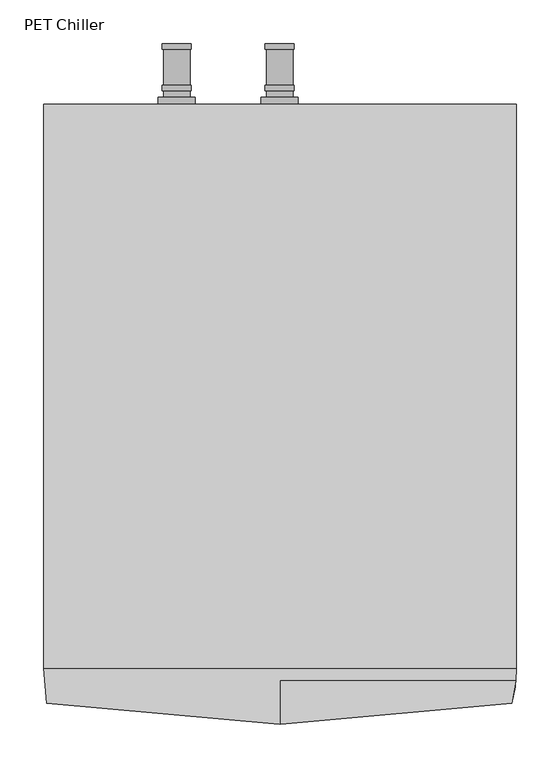
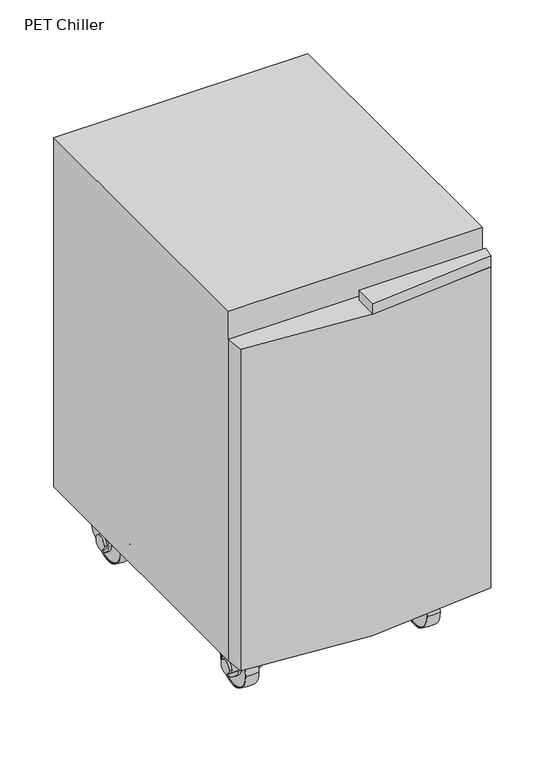
"""IFC4 building model written with IfcOpenShell, lengths in millimetres: proxy geometry, PET Chiller."""

from ifc_helpers import new_model, si_unit, point, frame, frame_2d, origin, place, context, project, spatial, polyline, circle_curve, ellipse_curve, trimmed, segment, composite_curve, outline, extrude, source, transform, mapped, element, save
from ifc_brep_helpers import plane_surface, cylinder_surface, revolved_surface, advanced_brep


def pet_chiller_bc5d5cd4(model_context):
    return source(origin(), model_context, "Body", "SolidModel", [
        advanced_brep(
        [(443.2227913, -148.9106157, 48.0465135), (443.2227913, -55.2985376, 48.0465135), (471.2227913, -55.2985376, 48.0465135), (471.2227913, -148.9106157, 48.0465135), (471.2227913, -147.1045767, 48.0465135), (471.2227913, -57.1045767, 48.0465135), (443.2227913, -57.1045767, 48.0465135), (443.2227913, -147.1045767, 48.0465135)],
        [
            (0, 1, circle_curve(frame((443.2227913, -102.1045767, 48.0465135), z_axis=(1.0, 0.0, 0.0), x_axis=(0.0, 1.0000000000000002, 0.0)), 46.8060391)),
            (1, 2, circle_curve(frame((457.2227913, -133.6803296, 48.0465135), z_axis=(0.0, 0.0, -1.0), x_axis=(0.0, -1.0000000000000002, 0.0)), 79.6222664)),
            (2, 3, circle_curve(frame((471.2227913, -102.1045767, 48.0465135), z_axis=(-1.0, 0.0, 0.0), x_axis=(0.0, 1.0000000000000002, 0.0)), 46.8060391)),
            (3, 0, circle_curve(frame((457.2227913, -70.5288238, 48.0465135), z_axis=(0.0, 0.0, -1.0), x_axis=(0.0, 1.0000000000000002, 0.0)), 79.6222664)),
            (4, 5, circle_curve(frame((471.2227913, -102.1045767, 48.0465135), z_axis=(1.0, 0.0, 0.0), x_axis=(0.0, 1.0000000000000002, 0.0)), 45.0)),
            (5, 6),
            (6, 7, circle_curve(frame((443.2227913, -102.1045767, 48.0465135), z_axis=(-1.0, 0.0, 0.0), x_axis=(0.0, 1.0000000000000002, 0.0)), 45.0)),
            (7, 4),
            (2, 3, circle_curve(frame((471.2227913, -102.1045767, 48.0465135), z_axis=(1.0, 0.0, 0.0), x_axis=(0.0, -1.0000000000000002, 0.0)), 46.8060391)),
            (4, 5, circle_curve(frame((471.2227913, -102.1045767, 48.0465135), z_axis=(-1.0, 0.0, 0.0), x_axis=(0.0, -1.0000000000000002, 0.0)), 45.0)),
            (1, 0, circle_curve(frame((443.2227913, -102.1045767, 48.0465135), z_axis=(1.0, 0.0, 0.0), x_axis=(0.0, -1.0000000000000002, 0.0)), 46.8060391)),
            (6, 7, circle_curve(frame((443.2227913, -102.1045767, 48.0465135), z_axis=(1.0, 0.0, 0.0), x_axis=(0.0, -1.0000000000000002, 0.0)), 45.0)),
        ],
        [
            revolved_surface(trimmed(ellipse_curve(frame((457.2227913, -133.6803296, 48.0465135), z_axis=(0.0, 0.0, 1.0), x_axis=(0.0, -1.0000000000000002, 0.0)), 79.6222664, 79.6222664), [point((471.2227913, -55.2985376, 48.0465135))], [point((443.2227913, -55.2985376, 48.0465135))], True, "CARTESIAN"), (450.7, -102.1045767, 48.0465135), (-1.0000000000000002, 0.0, 0.0)),
            revolved_surface(polyline([(443.2227913, -57.10457669999999, 48.0465135), (471.2227913, -57.10457669999999, 48.0465135)]), (450.7, -102.1045767, 48.0465135), (-1.0000000000000002, 0.0, 0.0)),
            plane_surface(frame((471.2227913, -102.1045767, 48.0465135), z_axis=(1.0, 0.0, 0.0), x_axis=(0.0, -1.0, 0.0))),
            revolved_surface(trimmed(ellipse_curve(frame((457.2227913, -70.5288238, 48.0465135), z_axis=(0.0, 0.0, -1.0), x_axis=(0.0, 1.0000000000000002, 0.0)), 79.6222664, 79.6222664), [point((471.2227913, -148.9106157, 48.0465135))], [point((443.2227913, -148.9106157, 48.0465135))], True, "CARTESIAN"), (450.7, -102.1045767, 48.0465135), (-1.0000000000000002, 0.0, 0.0)),
            plane_surface(frame((443.2227913, -102.1045767, 48.0465135), z_axis=(-1.0, 0.0, 0.0), x_axis=(0.0, -1.0, 0.0))),
            revolved_surface(polyline([(443.2227913, -147.1045767, 48.0465135), (471.2227913, -147.1045767, 48.0465135)]), (450.7, -102.1045767, 48.0465135), (-1.0000000000000002, 0.0, 0.0)),
        ],
        [
            (0, [[1, 2, 3, 4]]),
            (1, [[5, 6, 7, 8]]),
            (2, [[9, -3], [10, -5]]),
            (3, [[11, -4, -9, -2]]),
            (4, [[-11, -1], [12, -7]]),
            (5, [[-10, -8, -12, -6]]),
        ],
    ),
        extrude(outline(composite_curve([segment(trimmed(circle_curve(frame_2d((-102.1045767, 48.0465135)), 21.0), [point((-92.9157407, 29.163577))], [point((-108.2179054, 68.1369892))], False, "CARTESIAN"), True, "CONTINUOUS"), segment(trimmed(circle_curve(frame_2d((-129.2648391, 99.3530944)), 37.6486207), [point((-108.2179054, 68.1369892))], [point((-91.6162184, 99.3530944))], True, "CARTESIAN"), True, "CONTINUOUS"), segment(polyline([(-91.6162184, 99.3530944), (-91.6162184, 125.0465135), (-56.6162184, 125.0465135), (-56.6162184, 81.8753807)]), True, "CONTINUOUS"), segment(trimmed(circle_curve(frame_2d((-111.6162184, 81.8753807)), 55.0), [point((-56.6162184, 81.8753807))], [point((-84.1162184, 34.2439835))], False, "CARTESIAN"), True, "CONTINUOUS"), segment(polyline([(-84.1162184, 34.2439835), (-92.9157407, 29.163577)]), True, "CONTINUOUS")], self_intersect=False)), frame((476.2, 0.0, 0.0), z_axis=(1.0, 0.0, 0.0), x_axis=(0.0, 1.0, 0.0)), (0.0, 0.0, 1.0), 6.0),
        extrude(outline(polyline([(438.2, -56.6162184), (476.2, -56.6162184), (476.2, -91.6162184), (438.2, -91.6162184), (438.2, -56.6162184)])), frame((0.0, 0.0, 119.0465135), z_axis=(0.0, 0.0, 1.0), x_axis=(1.0, 0.0, 0.0)), (0.0, 0.0, 1.0), 6.0),
        extrude(outline(composite_curve([segment(trimmed(circle_curve(frame_2d((-102.1045767, 48.0465135)), 21.0), [point((-92.9157407, 29.163577))], [point((-108.2179054, 68.1369892))], False, "CARTESIAN"), True, "CONTINUOUS"), segment(trimmed(circle_curve(frame_2d((-129.2648391, 99.3530944)), 37.6486207), [point((-108.2179054, 68.1369892))], [point((-91.6162184, 99.3530944))], True, "CARTESIAN"), True, "CONTINUOUS"), segment(polyline([(-91.6162184, 99.3530944), (-91.6162184, 125.0465135), (-56.6162184, 125.0465135), (-56.6162184, 81.8753807)]), True, "CONTINUOUS"), segment(trimmed(circle_curve(frame_2d((-111.6162184, 81.8753807)), 55.0), [point((-56.6162184, 81.8753807))], [point((-84.1162184, 34.2439835))], False, "CARTESIAN"), True, "CONTINUOUS"), segment(polyline([(-84.1162184, 34.2439835), (-92.9157407, 29.163577)]), True, "CONTINUOUS")], self_intersect=False)), frame((432.2, 0.0, 0.0), z_axis=(1.0, 0.0, 0.0), x_axis=(0.0, 1.0, 0.0)), (0.0, 0.0, 1.0), 6.0),
        extrude(outline(composite_curve([segment(trimmed(circle_curve(frame_2d((-102.1045767, 48.0465135)), 15.0), [point((-87.1045767, 48.0465135))], [point((-117.1045767, 48.0465135))], False, "CARTESIAN"), True, "CONTINUOUS"), segment(trimmed(circle_curve(frame_2d((-102.1045767, 48.0465135)), 15.0), [point((-117.1045767, 48.0465135))], [point((-87.1045767, 48.0465135))], False, "CARTESIAN"), True, "CONTINUOUS")], self_intersect=False)), frame((426.2, 0.0, 0.0), z_axis=(1.0, 0.0, 0.0), x_axis=(0.0, 1.0, 0.0)), (0.0, 0.0, 1.0), 62.0),
        extrude(outline(composite_curve([segment(trimmed(circle_curve(frame_2d((-102.1045767, 48.0465135)), 45.0), [point((-57.1045767, 48.0465135))], [point((-147.1045767, 48.0465135))], False, "CARTESIAN"), True, "CONTINUOUS"), segment(trimmed(circle_curve(frame_2d((-102.1045767, 48.0465135)), 45.0), [point((-147.1045767, 48.0465135))], [point((-57.1045767, 48.0465135))], False, "CARTESIAN"), True, "CONTINUOUS")], self_intersect=False)), frame((444.7, 0.0, 0.0), z_axis=(1.0, 0.0, 0.0), x_axis=(0.0, 1.0, 0.0)), (0.0, 0.0, 1.0), 25.0),
        advanced_brep(
        [(83.8272087, -148.9106157, 48.0465135), (55.8272087, -148.9106157, 48.0465135), (55.8272087, -55.2985376, 48.0465135), (83.8272087, -55.2985376, 48.0465135), (55.8272087, -147.1045767, 48.0465135), (83.8272087, -147.1045767, 48.0465135), (83.8272087, -57.1045767, 48.0465135), (55.8272087, -57.1045767, 48.0465135)],
        [
            (0, 1, circle_curve(frame((69.8272087, -70.5288238, 48.0465135), z_axis=(0.0, 0.0, -1.0), x_axis=(0.0, 1.0000000000000002, 0.0)), 79.6222664)),
            (1, 2, circle_curve(frame((55.8272087, -102.1045767, 48.0465135), z_axis=(1.0, 0.0, 0.0), x_axis=(0.0, 1.0000000000000002, 0.0)), 46.8060391)),
            (2, 3, circle_curve(frame((69.8272087, -133.6803296, 48.0465135), z_axis=(0.0, 0.0, -1.0), x_axis=(0.0, -1.0000000000000002, 0.0)), 79.6222664)),
            (3, 0, circle_curve(frame((83.8272087, -102.1045767, 48.0465135), z_axis=(-1.0, 0.0, 0.0), x_axis=(0.0, 1.0000000000000002, 0.0)), 46.8060391)),
            (4, 5),
            (5, 6, circle_curve(frame((83.8272087, -102.1045767, 48.0465135), z_axis=(1.0, 0.0, 0.0), x_axis=(0.0, 1.0000000000000002, 0.0)), 45.0)),
            (6, 7),
            (7, 4, circle_curve(frame((55.8272087, -102.1045767, 48.0465135), z_axis=(-1.0, 0.0, 0.0), x_axis=(0.0, 1.0000000000000002, 0.0)), 45.0)),
            (1, 2, circle_curve(frame((55.8272087, -102.1045767, 48.0465135), z_axis=(-1.0, 0.0, 0.0), x_axis=(0.0, -1.0000000000000002, 0.0)), 46.8060391)),
            (7, 4, circle_curve(frame((55.8272087, -102.1045767, 48.0465135), z_axis=(1.0, 0.0, 0.0), x_axis=(0.0, -1.0000000000000002, 0.0)), 45.0)),
            (0, 3, circle_curve(frame((83.8272087, -102.1045767, 48.0465135), z_axis=(-1.0, 0.0, 0.0), x_axis=(0.0, -1.0000000000000002, 0.0)), 46.8060391)),
            (5, 6, circle_curve(frame((83.8272087, -102.1045767, 48.0465135), z_axis=(-1.0, 0.0, 0.0), x_axis=(0.0, -1.0000000000000002, 0.0)), 45.0)),
        ],
        [
            revolved_surface(trimmed(ellipse_curve(frame((69.8272087, -133.6803296, 48.0465135), z_axis=(0.0, 0.0, -1.0), x_axis=(0.0, -1.0000000000000002, 0.0)), 79.6222664, 79.6222664), [point((55.8272087, -55.2985376, 48.0465135))], [point((83.8272087, -55.2985376, 48.0465135))], True, "CARTESIAN"), (76.35, -102.1045767, 48.0465135), (1.0000000000000002, 0.0, 0.0)),
            revolved_surface(polyline([(83.8272087, -57.10457669999999, 48.0465135), (55.82720869999999, -57.10457669999999, 48.0465135)]), (76.35, -102.1045767, 48.0465135), (1.0000000000000002, 0.0, 0.0)),
            plane_surface(frame((55.8272087, -102.1045767, 48.0465135), z_axis=(-1.0, 0.0, 0.0), x_axis=(0.0, -1.0, 0.0))),
            revolved_surface(trimmed(ellipse_curve(frame((69.8272087, -70.5288238, 48.0465135), z_axis=(0.0, 0.0, 1.0), x_axis=(0.0, 1.0000000000000002, 0.0)), 79.6222664, 79.6222664), [point((55.8272087, -148.9106157, 48.0465135))], [point((83.8272087, -148.9106157, 48.0465135))], True, "CARTESIAN"), (76.35, -102.1045767, 48.0465135), (1.0000000000000002, 0.0, 0.0)),
            plane_surface(frame((83.8272087, -102.1045767, 48.0465135), z_axis=(1.0, 0.0, 0.0), x_axis=(0.0, -1.0, 0.0))),
            revolved_surface(polyline([(83.8272087, -147.1045767, 48.0465135), (55.82720869999999, -147.1045767, 48.0465135)]), (76.35, -102.1045767, 48.0465135), (1.0000000000000002, 0.0, 0.0)),
        ],
        [
            (0, [[1, 2, 3, 4]]),
            (1, [[5, 6, 7, 8]]),
            (2, [[-2, 9], [-8, 10]]),
            (3, [[-3, -9, -1, 11]]),
            (4, [[-4, -11], [-6, 12]]),
            (5, [[-7, -12, -5, -10]]),
        ],
    ),
        extrude(outline(composite_curve([segment(trimmed(circle_curve(frame_2d((-102.1045767, 48.0465135)), 21.0), [point((-92.9157407, 29.163577))], [point((-108.2179054, 68.1369892))], False, "CARTESIAN"), True, "CONTINUOUS"), segment(trimmed(circle_curve(frame_2d((-129.2648391, 99.3530944)), 37.6486207), [point((-108.2179054, 68.1369892))], [point((-91.6162184, 99.3530944))], True, "CARTESIAN"), True, "CONTINUOUS"), segment(polyline([(-91.6162184, 99.3530944), (-91.6162184, 125.0465135), (-56.6162184, 125.0465135), (-56.6162184, 81.8753807)]), True, "CONTINUOUS"), segment(trimmed(circle_curve(frame_2d((-111.6162184, 81.8753807)), 55.0), [point((-56.6162184, 81.8753807))], [point((-84.1162184, 34.2439835))], False, "CARTESIAN"), True, "CONTINUOUS"), segment(polyline([(-84.1162184, 34.2439835), (-92.9157407, 29.163577)]), True, "CONTINUOUS")], self_intersect=False)), frame((44.85, 0.0, 0.0), z_axis=(1.0, 0.0, 0.0), x_axis=(0.0, 1.0, 0.0)), (0.0, 0.0, 1.0), 6.0),
        extrude(outline(polyline([(88.85, -56.6162184), (88.85, -91.6162184), (50.85, -91.6162184), (50.85, -56.6162184), (88.85, -56.6162184)])), frame((0.0, 0.0, 119.0465135), z_axis=(0.0, 0.0, 1.0), x_axis=(1.0, 0.0, 0.0)), (0.0, 0.0, 1.0), 6.0),
        extrude(outline(composite_curve([segment(trimmed(circle_curve(frame_2d((-102.1045767, 48.0465135)), 21.0), [point((-92.9157407, 29.163577))], [point((-108.2179054, 68.1369892))], False, "CARTESIAN"), True, "CONTINUOUS"), segment(trimmed(circle_curve(frame_2d((-129.2648391, 99.3530944)), 37.6486207), [point((-108.2179054, 68.1369892))], [point((-91.6162184, 99.3530944))], True, "CARTESIAN"), True, "CONTINUOUS"), segment(polyline([(-91.6162184, 99.3530944), (-91.6162184, 125.0465135), (-56.6162184, 125.0465135), (-56.6162184, 81.8753807)]), True, "CONTINUOUS"), segment(trimmed(circle_curve(frame_2d((-111.6162184, 81.8753807)), 55.0), [point((-56.6162184, 81.8753807))], [point((-84.1162184, 34.2439835))], False, "CARTESIAN"), True, "CONTINUOUS"), segment(polyline([(-84.1162184, 34.2439835), (-92.9157407, 29.163577)]), True, "CONTINUOUS")], self_intersect=False)), frame((88.85, 0.0, 0.0), z_axis=(1.0, 0.0, 0.0), x_axis=(0.0, 1.0, 0.0)), (0.0, 0.0, 1.0), 6.0),
        extrude(outline(composite_curve([segment(trimmed(circle_curve(frame_2d((-102.1045767, 48.0465135)), 15.0), [point((-87.1045767, 48.0465135))], [point((-117.1045767, 48.0465135))], False, "CARTESIAN"), True, "CONTINUOUS"), segment(trimmed(circle_curve(frame_2d((-102.1045767, 48.0465135)), 15.0), [point((-117.1045767, 48.0465135))], [point((-87.1045767, 48.0465135))], False, "CARTESIAN"), True, "CONTINUOUS")], self_intersect=False)), frame((38.85, 0.0, 0.0), z_axis=(1.0, 0.0, 0.0), x_axis=(0.0, 1.0, 0.0)), (0.0, 0.0, 1.0), 62.0),
        extrude(outline(composite_curve([segment(trimmed(circle_curve(frame_2d((-102.1045767, 48.0465135)), 45.0), [point((-57.1045767, 48.0465135))], [point((-147.1045767, 48.0465135))], False, "CARTESIAN"), True, "CONTINUOUS"), segment(trimmed(circle_curve(frame_2d((-102.1045767, 48.0465135)), 45.0), [point((-147.1045767, 48.0465135))], [point((-57.1045767, 48.0465135))], False, "CARTESIAN"), True, "CONTINUOUS")], self_intersect=False)), frame((57.35, 0.0, 0.0), z_axis=(1.0, 0.0, 0.0), x_axis=(0.0, 1.0, 0.0)), (0.0, 0.0, 1.0), 25.0),
        advanced_brep(
        [(443.2227913, -517.8393843, 48.0465135), (471.2227913, -517.8393843, 48.0465135), (471.2227913, -611.4514624, 48.0465135), (443.2227913, -611.4514624, 48.0465135), (471.2227913, -519.6454233, 48.0465135), (443.2227913, -519.6454233, 48.0465135), (443.2227913, -609.6454233, 48.0465135), (471.2227913, -609.6454233, 48.0465135)],
        [
            (0, 1, circle_curve(frame((457.2227913, -596.2211762, 48.0465135), z_axis=(0.0, 0.0, -1.0), x_axis=(0.0, -1.0000000000000002, 0.0)), 79.6222664)),
            (1, 2, circle_curve(frame((471.2227913, -564.6454233, 48.0465135), z_axis=(-1.0, 0.0, 0.0), x_axis=(0.0, -1.0000000000000002, 0.0)), 46.8060391)),
            (2, 3, circle_curve(frame((457.2227913, -533.0696704, 48.0465135), z_axis=(0.0, 0.0, -1.0), x_axis=(0.0, 1.0000000000000002, 0.0)), 79.6222664)),
            (3, 0, circle_curve(frame((443.2227913, -564.6454233, 48.0465135), z_axis=(1.0, 0.0, 0.0), x_axis=(0.0, -1.0000000000000002, 0.0)), 46.8060391)),
            (4, 5),
            (5, 6, circle_curve(frame((443.2227913, -564.6454233, 48.0465135), z_axis=(-1.0, 0.0, 0.0), x_axis=(0.0, -1.0000000000000002, 0.0)), 45.0)),
            (6, 7),
            (7, 4, circle_curve(frame((471.2227913, -564.6454233, 48.0465135), z_axis=(1.0, 0.0, 0.0), x_axis=(0.0, -1.0000000000000002, 0.0)), 45.0)),
            (1, 2, circle_curve(frame((471.2227913, -564.6454233, 48.0465135), z_axis=(1.0, 0.0, 0.0), x_axis=(0.0, 1.0000000000000002, 0.0)), 46.8060391)),
            (7, 4, circle_curve(frame((471.2227913, -564.6454233, 48.0465135), z_axis=(-1.0, 0.0, 0.0), x_axis=(0.0, 1.0000000000000002, 0.0)), 45.0)),
            (0, 3, circle_curve(frame((443.2227913, -564.6454233, 48.0465135), z_axis=(1.0, 0.0, 0.0), x_axis=(0.0, 1.0000000000000002, 0.0)), 46.8060391)),
            (5, 6, circle_curve(frame((443.2227913, -564.6454233, 48.0465135), z_axis=(1.0, 0.0, 0.0), x_axis=(0.0, 1.0000000000000002, 0.0)), 45.0)),
        ],
        [
            revolved_surface(trimmed(ellipse_curve(frame((457.2227913, -533.0696704, 48.0465135), z_axis=(0.0, 0.0, -1.0), x_axis=(0.0, 1.0000000000000002, 0.0)), 79.6222664, 79.6222664), [point((471.2227913, -611.4514624, 48.0465135))], [point((443.2227913, -611.4514624, 48.0465135))], True, "CARTESIAN"), (450.7, -564.6454233, 48.0465135), (-1.0000000000000002, 0.0, 0.0)),
            revolved_surface(polyline([(443.2227913, -609.6454233, 48.0465135), (471.2227913, -609.6454233, 48.0465135)]), (450.7, -564.6454233, 48.0465135), (-1.0000000000000002, 0.0, 0.0)),
            plane_surface(frame((471.2227913, -564.6454233, 48.0465135), z_axis=(1.0, 0.0, 0.0), x_axis=(0.0, 1.0, 0.0))),
            revolved_surface(trimmed(ellipse_curve(frame((457.2227913, -596.2211762, 48.0465135), z_axis=(0.0, 0.0, 1.0), x_axis=(0.0, -1.0000000000000002, 0.0)), 79.6222664, 79.6222664), [point((471.2227913, -517.8393843, 48.0465135))], [point((443.2227913, -517.8393843, 48.0465135))], True, "CARTESIAN"), (450.7, -564.6454233, 48.0465135), (-1.0000000000000002, 0.0, 0.0)),
            plane_surface(frame((443.2227913, -564.6454233, 48.0465135), z_axis=(-1.0, 0.0, 0.0), x_axis=(0.0, 1.0, 0.0))),
            revolved_surface(polyline([(443.2227913, -519.6454233, 48.0465135), (471.2227913, -519.6454233, 48.0465135)]), (450.7, -564.6454233, 48.0465135), (-1.0000000000000002, 0.0, 0.0)),
        ],
        [
            (0, [[1, 2, 3, 4]]),
            (1, [[5, 6, 7, 8]]),
            (2, [[-2, 9], [-8, 10]]),
            (3, [[-3, -9, -1, 11]]),
            (4, [[-4, -11], [-6, 12]]),
            (5, [[-7, -12, -5, -10]]),
        ],
    ),
        extrude(outline(composite_curve([segment(polyline([(-573.8342593, 29.163577), (-582.6337816, 34.2439835)]), True, "CONTINUOUS"), segment(trimmed(circle_curve(frame_2d((-555.1337816, 81.8753807)), 55.0), [point((-582.6337816, 34.2439835))], [point((-610.1337816, 81.8753807))], False, "CARTESIAN"), True, "CONTINUOUS"), segment(polyline([(-610.1337816, 81.8753807), (-610.1337816, 125.0465135), (-575.1337816, 125.0465135), (-575.1337816, 99.3530944)]), True, "CONTINUOUS"), segment(trimmed(circle_curve(frame_2d((-537.4851609, 99.3530944)), 37.6486207), [point((-575.1337816, 99.3530944))], [point((-558.5320946, 68.1369892))], True, "CARTESIAN"), True, "CONTINUOUS"), segment(trimmed(circle_curve(frame_2d((-564.6454233, 48.0465135)), 21.0), [point((-558.5320946, 68.1369892))], [point((-573.8342593, 29.163577))], False, "CARTESIAN"), True, "CONTINUOUS")], self_intersect=False)), frame((476.2, 0.0, 0.0), z_axis=(1.0, 0.0, 0.0), x_axis=(0.0, 1.0, 0.0)), (0.0, 0.0, 1.0), 6.0),
        extrude(outline(polyline([(438.2, -610.1337816), (438.2, -575.1337816), (476.2, -575.1337816), (476.2, -610.1337816), (438.2, -610.1337816)])), frame((0.0, 0.0, 119.0465135), z_axis=(0.0, 0.0, 1.0), x_axis=(1.0, 0.0, 0.0)), (0.0, 0.0, 1.0), 6.0),
        extrude(outline(composite_curve([segment(polyline([(-573.8342593, 29.163577), (-582.6337816, 34.2439835)]), True, "CONTINUOUS"), segment(trimmed(circle_curve(frame_2d((-555.1337816, 81.8753807)), 55.0), [point((-582.6337816, 34.2439835))], [point((-610.1337816, 81.8753807))], False, "CARTESIAN"), True, "CONTINUOUS"), segment(polyline([(-610.1337816, 81.8753807), (-610.1337816, 125.0465135), (-575.1337816, 125.0465135), (-575.1337816, 99.3530944)]), True, "CONTINUOUS"), segment(trimmed(circle_curve(frame_2d((-537.4851609, 99.3530944)), 37.6486207), [point((-575.1337816, 99.3530944))], [point((-558.5320946, 68.1369892))], True, "CARTESIAN"), True, "CONTINUOUS"), segment(trimmed(circle_curve(frame_2d((-564.6454233, 48.0465135)), 21.0), [point((-558.5320946, 68.1369892))], [point((-573.8342593, 29.163577))], False, "CARTESIAN"), True, "CONTINUOUS")], self_intersect=False)), frame((432.2, 0.0, 0.0), z_axis=(1.0, 0.0, 0.0), x_axis=(0.0, 1.0, 0.0)), (0.0, 0.0, 1.0), 6.0),
        extrude(outline(composite_curve([segment(trimmed(circle_curve(frame_2d((-564.6454233, 48.0465135)), 15.0), [point((-579.6454233, 48.0465135))], [point((-549.6454233, 48.0465135))], False, "CARTESIAN"), True, "CONTINUOUS"), segment(trimmed(circle_curve(frame_2d((-564.6454233, 48.0465135)), 15.0), [point((-549.6454233, 48.0465135))], [point((-579.6454233, 48.0465135))], False, "CARTESIAN"), True, "CONTINUOUS")], self_intersect=False)), frame((426.2, 0.0, 0.0), z_axis=(1.0, 0.0, 0.0), x_axis=(0.0, 1.0, 0.0)), (0.0, 0.0, 1.0), 62.0),
        extrude(outline(composite_curve([segment(trimmed(circle_curve(frame_2d((-564.6454233, 48.0465135)), 45.0), [point((-609.6454233, 48.0465135))], [point((-519.6454233, 48.0465135))], False, "CARTESIAN"), True, "CONTINUOUS"), segment(trimmed(circle_curve(frame_2d((-564.6454233, 48.0465135)), 45.0), [point((-519.6454233, 48.0465135))], [point((-609.6454233, 48.0465135))], False, "CARTESIAN"), True, "CONTINUOUS")], self_intersect=False)), frame((444.7, 0.0, 0.0), z_axis=(1.0, 0.0, 0.0), x_axis=(0.0, 1.0, 0.0)), (0.0, 0.0, 1.0), 25.0),
        advanced_brep(
        [(83.8272087, -517.8393843, 48.0465135), (83.8272087, -611.4514624, 48.0465135), (55.8272087, -611.4514624, 48.0465135), (55.8272087, -517.8393843, 48.0465135), (55.8272087, -519.6454233, 48.0465135), (55.8272087, -609.6454233, 48.0465135), (83.8272087, -609.6454233, 48.0465135), (83.8272087, -519.6454233, 48.0465135)],
        [
            (0, 1, circle_curve(frame((83.8272087, -564.6454233, 48.0465135), z_axis=(-1.0, 0.0, 0.0), x_axis=(0.0, -1.0000000000000002, 0.0)), 46.8060391)),
            (1, 2, circle_curve(frame((69.8272087, -533.0696704, 48.0465135), z_axis=(0.0, 0.0, -1.0), x_axis=(0.0, 1.0000000000000002, 0.0)), 79.6222664)),
            (2, 3, circle_curve(frame((55.8272087, -564.6454233, 48.0465135), z_axis=(1.0, 0.0, 0.0), x_axis=(0.0, -1.0000000000000002, 0.0)), 46.8060391)),
            (3, 0, circle_curve(frame((69.8272087, -596.2211762, 48.0465135), z_axis=(0.0, 0.0, -1.0), x_axis=(0.0, -1.0000000000000002, 0.0)), 79.6222664)),
            (4, 5, circle_curve(frame((55.8272087, -564.6454233, 48.0465135), z_axis=(-1.0, 0.0, 0.0), x_axis=(0.0, -1.0000000000000002, 0.0)), 45.0)),
            (5, 6),
            (6, 7, circle_curve(frame((83.8272087, -564.6454233, 48.0465135), z_axis=(1.0, 0.0, 0.0), x_axis=(0.0, -1.0000000000000002, 0.0)), 45.0)),
            (7, 4),
            (2, 3, circle_curve(frame((55.8272087, -564.6454233, 48.0465135), z_axis=(-1.0, 0.0, 0.0), x_axis=(0.0, 1.0000000000000002, 0.0)), 46.8060391)),
            (4, 5, circle_curve(frame((55.8272087, -564.6454233, 48.0465135), z_axis=(1.0, 0.0, 0.0), x_axis=(0.0, 1.0000000000000002, 0.0)), 45.0)),
            (1, 0, circle_curve(frame((83.8272087, -564.6454233, 48.0465135), z_axis=(-1.0, 0.0, 0.0), x_axis=(0.0, 1.0000000000000002, 0.0)), 46.8060391)),
            (6, 7, circle_curve(frame((83.8272087, -564.6454233, 48.0465135), z_axis=(-1.0, 0.0, 0.0), x_axis=(0.0, 1.0000000000000002, 0.0)), 45.0)),
        ],
        [
            revolved_surface(trimmed(ellipse_curve(frame((69.8272087, -533.0696704, 48.0465135), z_axis=(0.0, 0.0, 1.0), x_axis=(0.0, 1.0000000000000002, 0.0)), 79.6222664, 79.6222664), [point((55.8272087, -611.4514624, 48.0465135))], [point((83.8272087, -611.4514624, 48.0465135))], True, "CARTESIAN"), (76.35, -564.6454233, 48.0465135), (1.0000000000000002, 0.0, 0.0)),
            revolved_surface(polyline([(83.8272087, -609.6454233, 48.0465135), (55.82720869999999, -609.6454233, 48.0465135)]), (76.35, -564.6454233, 48.0465135), (1.0000000000000002, 0.0, 0.0)),
            plane_surface(frame((55.8272087, -564.6454233, 48.0465135), z_axis=(-1.0, 0.0, 0.0), x_axis=(0.0, 1.0, 0.0))),
            revolved_surface(trimmed(ellipse_curve(frame((69.8272087, -596.2211762, 48.0465135), z_axis=(0.0, 0.0, -1.0), x_axis=(0.0, -1.0000000000000002, 0.0)), 79.6222664, 79.6222664), [point((55.8272087, -517.8393843, 48.0465135))], [point((83.8272087, -517.8393843, 48.0465135))], True, "CARTESIAN"), (76.35, -564.6454233, 48.0465135), (1.0000000000000002, 0.0, 0.0)),
            plane_surface(frame((83.8272087, -564.6454233, 48.0465135), z_axis=(1.0, 0.0, 0.0), x_axis=(0.0, 1.0, 0.0))),
            revolved_surface(polyline([(83.8272087, -519.6454233, 48.0465135), (55.82720869999999, -519.6454233, 48.0465135)]), (76.35, -564.6454233, 48.0465135), (1.0000000000000002, 0.0, 0.0)),
        ],
        [
            (0, [[1, 2, 3, 4]]),
            (1, [[5, 6, 7, 8]]),
            (2, [[9, -3], [10, -5]]),
            (3, [[11, -4, -9, -2]]),
            (4, [[-11, -1], [12, -7]]),
            (5, [[-10, -8, -12, -6]]),
        ],
    ),
        extrude(outline(composite_curve([segment(polyline([(-573.8342593, 29.163577), (-582.6337816, 34.2439835)]), True, "CONTINUOUS"), segment(trimmed(circle_curve(frame_2d((-555.1337816, 81.8753807)), 55.0), [point((-582.6337816, 34.2439835))], [point((-610.1337816, 81.8753807))], False, "CARTESIAN"), True, "CONTINUOUS"), segment(polyline([(-610.1337816, 81.8753807), (-610.1337816, 125.0465135), (-575.1337816, 125.0465135), (-575.1337816, 99.3530944)]), True, "CONTINUOUS"), segment(trimmed(circle_curve(frame_2d((-537.4851609, 99.3530944)), 37.6486207), [point((-575.1337816, 99.3530944))], [point((-558.5320946, 68.1369892))], True, "CARTESIAN"), True, "CONTINUOUS"), segment(trimmed(circle_curve(frame_2d((-564.6454233, 48.0465135)), 21.0), [point((-558.5320946, 68.1369892))], [point((-573.8342593, 29.163577))], False, "CARTESIAN"), True, "CONTINUOUS")], self_intersect=False)), frame((44.85, 0.0, 0.0), z_axis=(1.0, 0.0, 0.0), x_axis=(0.0, 1.0, 0.0)), (0.0, 0.0, 1.0), 6.0),
        extrude(outline(polyline([(88.85, -610.1337816), (50.85, -610.1337816), (50.85, -575.1337816), (88.85, -575.1337816), (88.85, -610.1337816)])), frame((0.0, 0.0, 119.0465135), z_axis=(0.0, 0.0, 1.0), x_axis=(1.0, 0.0, 0.0)), (0.0, 0.0, 1.0), 6.0),
        extrude(outline(composite_curve([segment(polyline([(-573.8342593, 29.163577), (-582.6337816, 34.2439835)]), True, "CONTINUOUS"), segment(trimmed(circle_curve(frame_2d((-555.1337816, 81.8753807)), 55.0), [point((-582.6337816, 34.2439835))], [point((-610.1337816, 81.8753807))], False, "CARTESIAN"), True, "CONTINUOUS"), segment(polyline([(-610.1337816, 81.8753807), (-610.1337816, 125.0465135), (-575.1337816, 125.0465135), (-575.1337816, 99.3530944)]), True, "CONTINUOUS"), segment(trimmed(circle_curve(frame_2d((-537.4851609, 99.3530944)), 37.6486207), [point((-575.1337816, 99.3530944))], [point((-558.5320946, 68.1369892))], True, "CARTESIAN"), True, "CONTINUOUS"), segment(trimmed(circle_curve(frame_2d((-564.6454233, 48.0465135)), 21.0), [point((-558.5320946, 68.1369892))], [point((-573.8342593, 29.163577))], False, "CARTESIAN"), True, "CONTINUOUS")], self_intersect=False)), frame((88.85, 0.0, 0.0), z_axis=(1.0, 0.0, 0.0), x_axis=(0.0, 1.0, 0.0)), (0.0, 0.0, 1.0), 6.0),
        extrude(outline(composite_curve([segment(trimmed(circle_curve(frame_2d((-564.6454233, 48.0465135)), 15.0), [point((-579.6454233, 48.0465135))], [point((-549.6454233, 48.0465135))], False, "CARTESIAN"), True, "CONTINUOUS"), segment(trimmed(circle_curve(frame_2d((-564.6454233, 48.0465135)), 15.0), [point((-549.6454233, 48.0465135))], [point((-579.6454233, 48.0465135))], False, "CARTESIAN"), True, "CONTINUOUS")], self_intersect=False)), frame((38.85, 0.0, 0.0), z_axis=(1.0, 0.0, 0.0), x_axis=(0.0, 1.0, 0.0)), (0.0, 0.0, 1.0), 62.0),
        extrude(outline(composite_curve([segment(trimmed(circle_curve(frame_2d((-564.6454233, 48.0465135)), 45.0), [point((-609.6454233, 48.0465135))], [point((-519.6454233, 48.0465135))], False, "CARTESIAN"), True, "CONTINUOUS"), segment(trimmed(circle_curve(frame_2d((-564.6454233, 48.0465135)), 45.0), [point((-519.6454233, 48.0465135))], [point((-609.6454233, 48.0465135))], False, "CARTESIAN"), True, "CONTINUOUS")], self_intersect=False)), frame((57.35, 0.0, 0.0), z_axis=(1.0, 0.0, 0.0), x_axis=(0.0, 1.0, 0.0)), (0.0, 0.0, 1.0), 25.0),
        advanced_brep(
        [(130.4376034, 9.0118868, 793.75), (173.1226469, 9.0118868, 793.75), (173.1226469, 0.9139393, 793.75), (130.4376034, 0.9139393, 793.75), (136.5478727, 9.0118868, 793.75), (167.0123777, 9.0118868, 793.75), (136.5478727, 15.993937, 793.75), (167.0123777, 15.993937, 793.75), (135.2785126, 15.993937, 793.75), (168.2817377, 15.993937, 793.75), (135.2785126, 22.3407374, 793.75), (168.2817377, 22.3407374, 793.75), (136.5478727, 22.3407374, 793.75), (167.0123777, 22.3407374, 793.75), (136.5478727, 63.8488119, 793.75), (167.0123777, 63.8488119, 793.75), (135.2785126, 63.8488119, 793.75), (168.2817377, 63.8488119, 793.75), (135.2785126, 70.1956123, 793.75), (168.2817377, 70.1956123, 793.75), (151.7801252, 70.1956123, 793.75), (151.7801252, 0.9139393, 793.75)],
        [
            (0, 1, circle_curve(frame((151.7801252, 9.0118868, 793.75), z_axis=(0.0, -1.0, 0.0), x_axis=(1.0, 0.0, 0.0)), 21.3425218)),
            (1, 2),
            (2, 3, circle_curve(frame((151.7801252, 0.9139393, 793.75), z_axis=(0.0, 1.0, 0.0), x_axis=(1.0, 0.0, 0.0)), 21.3425218)),
            (3, 0),
            (1, 0, circle_curve(frame((151.7801252, 9.0118868, 793.75), z_axis=(0.0, -1.0, 0.0), x_axis=(1.0, 0.0, 0.0)), 21.3425218)),
            (3, 2, circle_curve(frame((151.7801252, 0.9139393, 793.75), z_axis=(0.0, 1.0, 0.0), x_axis=(1.0, 0.0, 0.0)), 21.3425218)),
            (4, 5, circle_curve(frame((151.7801252, 9.0118868, 793.75), z_axis=(0.0, -1.0, 0.0), x_axis=(1.0, 0.0, 0.0)), 15.2322525)),
            (5, 1),
            (0, 4),
            (5, 4, circle_curve(frame((151.7801252, 9.0118868, 793.75), z_axis=(0.0, -1.0, 0.0), x_axis=(1.0, 0.0, 0.0)), 15.2322525)),
            (6, 7, circle_curve(frame((151.7801252, 15.993937, 793.75), z_axis=(0.0, -1.0, 0.0), x_axis=(1.0, 0.0, 0.0)), 15.2322525)),
            (7, 5),
            (4, 6),
            (7, 6, circle_curve(frame((151.7801252, 15.993937, 793.75), z_axis=(0.0, -1.0, 0.0), x_axis=(1.0, 0.0, 0.0)), 15.2322525)),
            (8, 9, circle_curve(frame((151.7801252, 15.993937, 793.75), z_axis=(0.0, -1.0, 0.0), x_axis=(1.0, 0.0, 0.0)), 16.5016126)),
            (9, 7),
            (6, 8),
            (9, 8, circle_curve(frame((151.7801252, 15.993937, 793.75), z_axis=(0.0, -1.0, 0.0), x_axis=(1.0, 0.0, 0.0)), 16.5016126)),
            (10, 11, circle_curve(frame((151.7801252, 22.3407374, 793.75), z_axis=(0.0, -1.0, 0.0), x_axis=(1.0, 0.0, 0.0)), 16.5016126)),
            (11, 9),
            (8, 10),
            (11, 10, circle_curve(frame((151.7801252, 22.3407374, 793.75), z_axis=(0.0, -1.0, 0.0), x_axis=(1.0, 0.0, 0.0)), 16.5016126)),
            (12, 13, circle_curve(frame((151.7801252, 22.3407374, 793.75), z_axis=(0.0, -1.0, 0.0), x_axis=(1.0, 0.0, 0.0)), 15.2322525)),
            (13, 11),
            (10, 12),
            (13, 12, circle_curve(frame((151.7801252, 22.3407374, 793.75), z_axis=(0.0, -1.0, 0.0), x_axis=(1.0, 0.0, 0.0)), 15.2322525)),
            (14, 15, circle_curve(frame((151.7801252, 63.8488119, 793.75), z_axis=(0.0, -1.0, 0.0), x_axis=(1.0, 0.0, 0.0)), 15.2322525)),
            (15, 13),
            (12, 14),
            (15, 14, circle_curve(frame((151.7801252, 63.8488119, 793.75), z_axis=(0.0, -1.0, 0.0), x_axis=(1.0, 0.0, 0.0)), 15.2322525)),
            (16, 17, circle_curve(frame((151.7801252, 63.8488119, 793.75), z_axis=(0.0, -1.0, 0.0), x_axis=(1.0, 0.0, 0.0)), 16.5016126)),
            (17, 15),
            (14, 16),
            (17, 16, circle_curve(frame((151.7801252, 63.8488119, 793.75), z_axis=(0.0, -1.0, 0.0), x_axis=(1.0, 0.0, 0.0)), 16.5016126)),
            (18, 19, circle_curve(frame((151.7801252, 70.1956123, 793.75), z_axis=(0.0, -1.0, 0.0), x_axis=(1.0, 0.0, 0.0)), 16.5016126)),
            (19, 17),
            (16, 18),
            (19, 18, circle_curve(frame((151.7801252, 70.1956123, 793.75), z_axis=(0.0, -1.0, 0.0), x_axis=(1.0, 0.0, 0.0)), 16.5016126)),
            (20, 19),
            (18, 20),
            (2, 21),
            (21, 3),
        ],
        [
            cylinder_surface(frame((151.7801252, 70.1956123, 793.75), z_axis=(0.0, 1.0, 0.0), x_axis=(1.0, 0.0, 0.0)), 21.3425218),
            plane_surface(frame((151.7801252, 9.0118868, 793.75), z_axis=(0.0, 1.0, 0.0), x_axis=(1.0, 0.0, 0.0))),
            cylinder_surface(frame((151.7801252, 70.1956123, 793.75), z_axis=(0.0, 1.0, 0.0), x_axis=(1.0, 0.0, 0.0)), 15.2322525),
            plane_surface(frame((151.7801252, 15.993937, 793.75), z_axis=(0.0, -1.0, 0.0), x_axis=(1.0, 0.0, 0.0))),
            cylinder_surface(frame((151.7801252, 70.1956123, 793.75), z_axis=(0.0, 1.0, 0.0), x_axis=(1.0, 0.0, 0.0)), 16.5016126),
            plane_surface(frame((151.7801252, 22.3407374, 793.75), z_axis=(0.0, 1.0, 0.0), x_axis=(1.0, 0.0, 0.0))),
            plane_surface(frame((151.7801252, 63.8488119, 793.75), z_axis=(0.0, -1.0, 0.0), x_axis=(1.0, 0.0, 0.0))),
            plane_surface(frame((151.7801252, 70.1956123, 793.75), z_axis=(0.0, 1.0, 0.0), x_axis=(1.0, 0.0, 0.0))),
            plane_surface(frame((151.7801252, 0.9139393, 793.75), z_axis=(0.0, -1.0, 0.0), x_axis=(1.0, 0.0, 0.0))),
        ],
        [
            (0, [[1, 2, 3, 4]]),
            (0, [[5, -4, 6, -2]]),
            (1, [[7, 8, -1, 9]]),
            (1, [[10, -9, -5, -8]]),
            (2, [[11, 12, -7, 13]]),
            (2, [[14, -13, -10, -12]]),
            (3, [[15, 16, -11, 17]]),
            (3, [[18, -17, -14, -16]]),
            (4, [[19, 20, -15, 21]]),
            (4, [[22, -21, -18, -20]]),
            (5, [[23, 24, -19, 25]]),
            (5, [[26, -25, -22, -24]]),
            (2, [[27, 28, -23, 29]]),
            (2, [[30, -29, -26, -28]]),
            (6, [[31, 32, -27, 33]]),
            (6, [[34, -33, -30, -32]]),
            (4, [[35, 36, -31, 37]]),
            (4, [[38, -37, -34, -36]]),
            (7, [[39, -35, 40]]),
            (7, [[-40, -38, -39]]),
            (8, [[-3, 41, 42]]),
            (8, [[-6, -42, -41]]),
        ],
    ),
        advanced_brep(
        [(248.4727248, 9.0118868, 793.75), (291.1577683, 9.0118868, 793.75), (291.1577683, 0.9139393, 793.75), (248.4727248, 0.9139393, 793.75), (254.582994, 9.0118868, 793.75), (285.047499, 9.0118868, 793.75), (254.582994, 15.993937, 793.75), (285.047499, 15.993937, 793.75), (253.313634, 15.993937, 793.75), (286.3168591, 15.993937, 793.75), (253.313634, 22.3407374, 793.75), (286.3168591, 22.3407374, 793.75), (254.582994, 22.3407374, 793.75), (285.047499, 22.3407374, 793.75), (254.582994, 63.8488119, 793.75), (285.047499, 63.8488119, 793.75), (253.313634, 63.8488119, 793.75), (286.3168591, 63.8488119, 793.75), (253.313634, 70.1956123, 793.75), (286.3168591, 70.1956123, 793.75), (269.8152465, 70.1956123, 793.75), (269.8152465, 0.9139393, 793.75)],
        [
            (0, 1, circle_curve(frame((269.8152465, 9.0118868, 793.75), z_axis=(0.0, -1.0, 0.0), x_axis=(1.0, 0.0, 0.0)), 21.3425218)),
            (1, 2),
            (2, 3, circle_curve(frame((269.8152465, 0.9139393, 793.75), z_axis=(0.0, 1.0, 0.0), x_axis=(1.0, 0.0, 0.0)), 21.3425218)),
            (3, 0),
            (1, 0, circle_curve(frame((269.8152465, 9.0118868, 793.75), z_axis=(0.0, -1.0, 0.0), x_axis=(1.0, 0.0, 0.0)), 21.3425218)),
            (3, 2, circle_curve(frame((269.8152465, 0.9139393, 793.75), z_axis=(0.0, 1.0, 0.0), x_axis=(1.0, 0.0, 0.0)), 21.3425218)),
            (4, 5, circle_curve(frame((269.8152465, 9.0118868, 793.75), z_axis=(0.0, -1.0, 0.0), x_axis=(1.0, 0.0, 0.0)), 15.2322525)),
            (5, 1),
            (0, 4),
            (5, 4, circle_curve(frame((269.8152465, 9.0118868, 793.75), z_axis=(0.0, -1.0, 0.0), x_axis=(1.0, 0.0, 0.0)), 15.2322525)),
            (6, 7, circle_curve(frame((269.8152465, 15.993937, 793.75), z_axis=(0.0, -1.0, 0.0), x_axis=(1.0, 0.0, 0.0)), 15.2322525)),
            (7, 5),
            (4, 6),
            (7, 6, circle_curve(frame((269.8152465, 15.993937, 793.75), z_axis=(0.0, -1.0, 0.0), x_axis=(1.0, 0.0, 0.0)), 15.2322525)),
            (8, 9, circle_curve(frame((269.8152465, 15.993937, 793.75), z_axis=(0.0, -1.0, 0.0), x_axis=(1.0, 0.0, 0.0)), 16.5016126)),
            (9, 7),
            (6, 8),
            (9, 8, circle_curve(frame((269.8152465, 15.993937, 793.75), z_axis=(0.0, -1.0, 0.0), x_axis=(1.0, 0.0, 0.0)), 16.5016126)),
            (10, 11, circle_curve(frame((269.8152465, 22.3407374, 793.75), z_axis=(0.0, -1.0, 0.0), x_axis=(1.0, 0.0, 0.0)), 16.5016126)),
            (11, 9),
            (8, 10),
            (11, 10, circle_curve(frame((269.8152465, 22.3407374, 793.75), z_axis=(0.0, -1.0, 0.0), x_axis=(1.0, 0.0, 0.0)), 16.5016126)),
            (12, 13, circle_curve(frame((269.8152465, 22.3407374, 793.75), z_axis=(0.0, -1.0, 0.0), x_axis=(1.0, 0.0, 0.0)), 15.2322525)),
            (13, 11),
            (10, 12),
            (13, 12, circle_curve(frame((269.8152465, 22.3407374, 793.75), z_axis=(0.0, -1.0, 0.0), x_axis=(1.0, 0.0, 0.0)), 15.2322525)),
            (14, 15, circle_curve(frame((269.8152465, 63.8488119, 793.75), z_axis=(0.0, -1.0, 0.0), x_axis=(1.0, 0.0, 0.0)), 15.2322525)),
            (15, 13),
            (12, 14),
            (15, 14, circle_curve(frame((269.8152465, 63.8488119, 793.75), z_axis=(0.0, -1.0, 0.0), x_axis=(1.0, 0.0, 0.0)), 15.2322525)),
            (16, 17, circle_curve(frame((269.8152465, 63.8488119, 793.75), z_axis=(0.0, -1.0, 0.0), x_axis=(1.0, 0.0, 0.0)), 16.5016126)),
            (17, 15),
            (14, 16),
            (17, 16, circle_curve(frame((269.8152465, 63.8488119, 793.75), z_axis=(0.0, -1.0, 0.0), x_axis=(1.0, 0.0, 0.0)), 16.5016126)),
            (18, 19, circle_curve(frame((269.8152465, 70.1956123, 793.75), z_axis=(0.0, -1.0, 0.0), x_axis=(1.0, 0.0, 0.0)), 16.5016126)),
            (19, 17),
            (16, 18),
            (19, 18, circle_curve(frame((269.8152465, 70.1956123, 793.75), z_axis=(0.0, -1.0, 0.0), x_axis=(1.0, 0.0, 0.0)), 16.5016126)),
            (20, 19),
            (18, 20),
            (2, 21),
            (21, 3),
        ],
        [
            cylinder_surface(frame((269.8152465, 70.1956123, 793.75), z_axis=(0.0, 1.0, 0.0), x_axis=(1.0, 0.0, 0.0)), 21.3425218),
            plane_surface(frame((269.8152465, 9.0118868, 793.75), z_axis=(0.0, 1.0, 0.0), x_axis=(1.0, 0.0, 0.0))),
            cylinder_surface(frame((269.8152465, 70.1956123, 793.75), z_axis=(0.0, 1.0, 0.0), x_axis=(1.0, 0.0, 0.0)), 15.2322525),
            plane_surface(frame((269.8152465, 15.993937, 793.75), z_axis=(0.0, -1.0, 0.0), x_axis=(1.0, 0.0, 0.0))),
            cylinder_surface(frame((269.8152465, 70.1956123, 793.75), z_axis=(0.0, 1.0, 0.0), x_axis=(1.0, 0.0, 0.0)), 16.5016126),
            plane_surface(frame((269.8152465, 22.3407374, 793.75), z_axis=(0.0, 1.0, 0.0), x_axis=(1.0, 0.0, 0.0))),
            plane_surface(frame((269.8152465, 63.8488119, 793.75), z_axis=(0.0, -1.0, 0.0), x_axis=(1.0, 0.0, 0.0))),
            plane_surface(frame((269.8152465, 70.1956123, 793.75), z_axis=(0.0, 1.0, 0.0), x_axis=(1.0, 0.0, 0.0))),
            plane_surface(frame((269.8152465, 0.9139393, 793.75), z_axis=(0.0, -1.0, 0.0), x_axis=(1.0, 0.0, 0.0))),
        ],
        [
            (0, [[1, 2, 3, 4]]),
            (0, [[5, -4, 6, -2]]),
            (1, [[7, 8, -1, 9]]),
            (1, [[10, -9, -5, -8]]),
            (2, [[11, 12, -7, 13]]),
            (2, [[14, -13, -10, -12]]),
            (3, [[15, 16, -11, 17]]),
            (3, [[18, -17, -14, -16]]),
            (4, [[19, 20, -15, 21]]),
            (4, [[22, -21, -18, -20]]),
            (5, [[23, 24, -19, 25]]),
            (5, [[26, -25, -22, -24]]),
            (2, [[27, 28, -23, 29]]),
            (2, [[30, -29, -26, -28]]),
            (6, [[31, 32, -27, 33]]),
            (6, [[34, -33, -30, -32]]),
            (4, [[35, 36, -31, 37]]),
            (4, [[38, -37, -34, -36]]),
            (7, [[39, -35, 40]]),
            (7, [[-40, -38, -39]]),
            (8, [[-3, 41, 42]]),
            (8, [[-6, -42, -41]]),
        ],
    ),
        extrude(outline(composite_curve([segment(polyline([(270.8255008, -710.0186955), (270.8255008, -659.8717583), (540.9375796, -659.8717583)]), True, "CONTINUOUS"), segment(trimmed(circle_curve(frame_2d((387.3660785, -647.1601403)), 154.0966943), [point((540.9375796, -659.8717583))], [point((536.5659596, -685.69826))], False, "CARTESIAN"), True, "CONTINUOUS"), segment(trimmed(circle_curve(frame_2d((269.561417, 767.7778565)), 1477.7970927), [point((536.5659596, -685.69826))], [point((270.8255008, -710.0186955))], False, "CARTESIAN"), True, "CONTINUOUS")], self_intersect=False)), frame((0.0, 0.0, 851.1162417), z_axis=(0.0, 0.0, 1.0), x_axis=(1.0, 0.0, 0.0)), (0.0, 0.0, 1.0), 23.9423941),
        advanced_brep(
        [(-0.9139393, -645.9775184, 914.1484459), (541.4582347, -645.9775184, 914.1484459), (541.4582347, 0.9139393, 914.1484459), (-0.9139393, 0.9139393, 914.1484459), (541.4582347, -645.9775184, 851.1162417), (541.4582347, -648.3427622, 851.1162417), (541.4582347, -648.3427622, 125.0465135), (541.4582347, 0.9139393, 125.0465135), (-0.9139393, 0.9139393, 125.0465135), (-0.9139393, -645.9775184, 125.0465135), (-0.9139393, -645.9775184, 851.1162417), (2.5568743, -685.69826, 851.1162417), (536.5659596, -685.69826, 851.1162417), (536.5659596, -685.69826, 125.0465135), (2.5568743, -685.69826, 125.0465135)],
        [
            (0, 1),
            (1, 2),
            (2, 3),
            (3, 0),
            (1, 4),
            (4, 5),
            (5, 6),
            (6, 7),
            (7, 2),
            (7, 8),
            (8, 3),
            (8, 9),
            (9, 10),
            (10, 0),
            (10, 4),
            (10, 11, circle_curve(frame((245.7339289, -644.4373448, 851.1162417), z_axis=(0.0, 0.0, 1.0), x_axis=(1.0, 0.0, 0.0)), 246.6526769)),
            (11, 12, circle_curve(frame((269.561417, 767.7778565, 851.1162417), z_axis=(0.0, 0.0, 1.0), x_axis=(1.0, 0.0, 0.0)), 1477.7970927)),
            (12, 5, circle_curve(frame((387.3660785, -647.1601403, 851.1162417), z_axis=(0.0, 0.0, 1.0), x_axis=(1.0, 0.0, 0.0)), 154.0966943)),
            (6, 13, circle_curve(frame((387.3660785, -647.1601403, 125.0465135), z_axis=(0.0, 0.0, -1.0), x_axis=(1.0, 0.0, 0.0)), 154.0966943)),
            (13, 14, circle_curve(frame((269.561417, 767.7778565, 125.0465135), z_axis=(0.0, 0.0, -1.0), x_axis=(1.0, 0.0, 0.0)), 1477.7970927)),
            (14, 9, circle_curve(frame((245.7339289, -644.4373448, 125.0465135), z_axis=(0.0, 0.0, -1.0), x_axis=(1.0, 0.0, 0.0)), 246.6526769)),
            (14, 11),
            (13, 12),
        ],
        [
            plane_surface(frame((164.6132158, -645.9775184, 914.1484459), z_axis=(0.0, 0.0, 1.0), x_axis=(1.0, 0.0, 0.0))),
            plane_surface(frame((541.4582347, -645.9775184, 914.1484459), z_axis=(1.0, 0.0, 0.0), x_axis=(0.0, 0.0, -1.0))),
            plane_surface(frame((541.4582347, 0.9139393, 914.1484459), z_axis=(0.0, 1.0, 0.0), x_axis=(0.0, 0.0, -1.0))),
            plane_surface(frame((-0.9139393, 0.9139393, 914.1484459), z_axis=(-1.0, 0.0, 0.0), x_axis=(0.0, 0.0, -1.0))),
            plane_surface(frame((-0.9139393, -645.9775184, 914.1484459), z_axis=(0.0, -1.0, 0.0), x_axis=(0.0, 0.0, -1.0))),
            plane_surface(frame((492.3866058, -644.4373448, 851.1162417), z_axis=(0.0, 0.0, 1.0), x_axis=(0.0, 1.0, 0.0))),
            plane_surface(frame((492.3866058, -644.4373448, 125.0465135), z_axis=(0.0, 0.0, -1.0), x_axis=(0.0, -1.0, 0.0))),
            cylinder_surface(frame((245.7339289, -644.4373448, 125.0465135), z_axis=(0.0, 0.0, 1.0), x_axis=(1.0, 0.0, 0.0)), 246.6526769),
            cylinder_surface(frame((269.561417, 767.7778565, 125.0465135), z_axis=(0.0, 0.0, 1.0), x_axis=(1.0, 0.0, 0.0)), 1477.7970927),
            cylinder_surface(frame((387.3660785, -647.1601403, 125.0465135), z_axis=(0.0, 0.0, 1.0), x_axis=(1.0, 0.0, 0.0)), 154.0966943),
        ],
        [
            (0, [[1, 2, 3, 4]]),
            (1, [[-2, 5, 6, 7, 8, 9]]),
            (2, [[-3, -9, 10, 11]]),
            (3, [[-4, -11, 12, 13, 14]]),
            (4, [[-1, -14, 15, -5]]),
            (5, [[16, 17, 18, -6, -15]]),
            (6, [[-12, -10, -8, 19, 20, 21]]),
            (7, [[-16, -13, -21, 22]]),
            (8, [[-17, -22, -20, 23]]),
            (9, [[-18, -23, -19, -7]]),
        ],
    ),
    ])


if __name__ == "__main__":
    model = new_model("IFC4")
    model_context = context("Model", 3, world=origin())
    ifc_project = project(units=[si_unit("LENGTHUNIT", "METRE", prefix="MILLI")], contexts=[model_context])
    site = spatial("IfcSite", under=ifc_project)
    building = spatial("IfcBuilding", under=site)
    placement = place(None, origin())
    pet_chiller_shape = pet_chiller_bc5d5cd4(model_context)
    element("IfcBuildingElementProxy", 1, Name="PET Chiller", ObjectType="PET Chiller", at=placement, inside=building, context=model_context, shape_type="MappedRepresentation", body=[
        mapped(pet_chiller_shape, transform((0.0, 0.0, 0.0), x_axis=(1.0, 0.0, 0.0), y_axis=(0.0, 1.0, 0.0), z_axis=(0.0, 0.0, 1.0))),
    ])
    save(model, "model.ifc")
